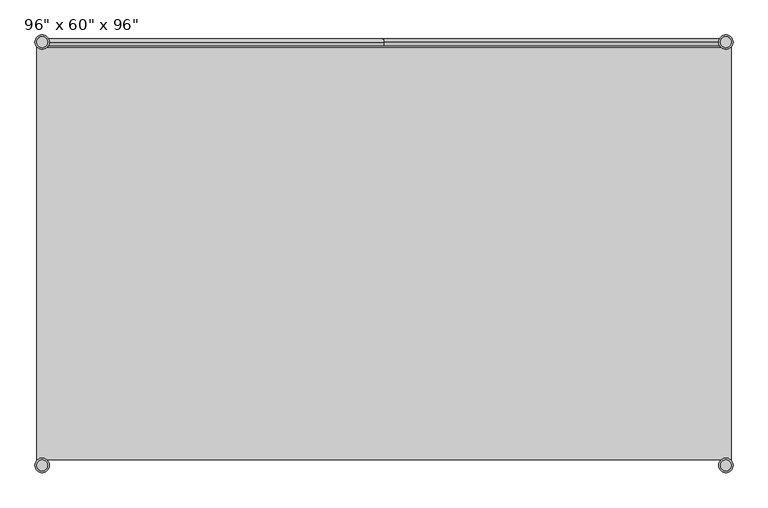
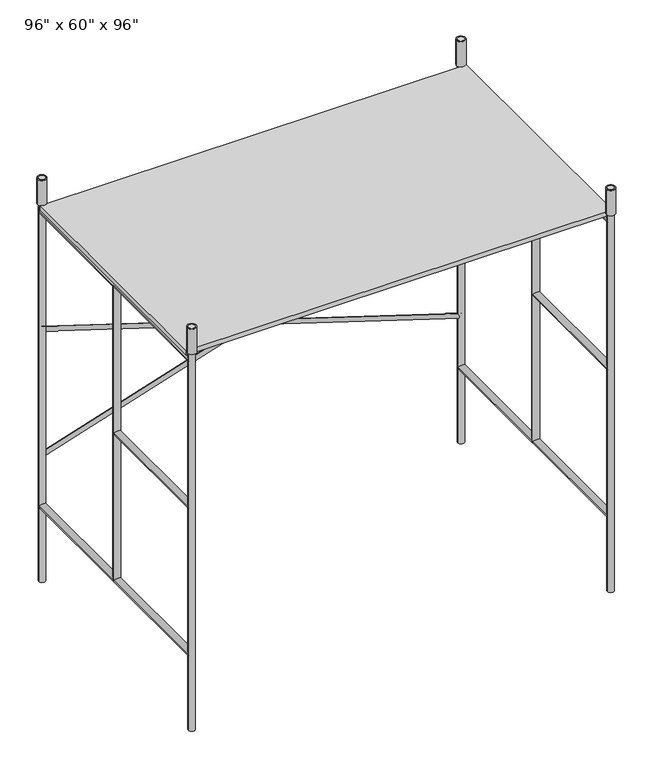
"""IFC4 building model written with IfcOpenShell, lengths in millimetres: geographic element geometry."""

from ifc_helpers import new_model, si_unit, point, frame, frame_2d, origin, origin_with_axes, place, context, project, spatial, polyline, circle_curve, trimmed, segment, composite_curve, outline, extrude, source, transform, mapped, element, save


def geographic_element_9028f7ce(model_context):
    return source(origin(), model_context, "Body", "SweptSolid", [
        extrude(outline(composite_curve([segment(trimmed(circle_curve(frame_2d((1200.15, 742.95)), 19.05), [point((1181.1, 742.95))], [point((1219.2, 742.95))], False, "CARTESIAN"), True, "CONTINUOUS"), segment(trimmed(circle_curve(frame_2d((1200.15, 742.95)), 19.05), [point((1219.2, 742.95))], [point((1181.1, 742.95))], False, "CARTESIAN"), True, "CONTINUOUS")], self_intersect=False)), origin_with_axes(), (0.0, 0.0, 1.0), 2438.4),
        extrude(outline(composite_curve([segment(trimmed(circle_curve(frame_2d((1200.15, -742.95)), 19.05), [point((1181.1, -742.95))], [point((1219.2, -742.95))], False, "CARTESIAN"), True, "CONTINUOUS"), segment(trimmed(circle_curve(frame_2d((1200.15, -742.95)), 19.05), [point((1219.2, -742.95))], [point((1181.1, -742.95))], False, "CARTESIAN"), True, "CONTINUOUS")], self_intersect=False)), origin_with_axes(), (0.0, 0.0, 1.0), 2438.4),
        extrude(outline(composite_curve([segment(trimmed(circle_curve(frame_2d((-1200.15, 742.95)), 19.05), [point((-1219.2, 742.95))], [point((-1181.1, 742.95))], False, "CARTESIAN"), True, "CONTINUOUS"), segment(trimmed(circle_curve(frame_2d((-1200.15, 742.95)), 19.05), [point((-1181.1, 742.95))], [point((-1219.2, 742.95))], False, "CARTESIAN"), True, "CONTINUOUS")], self_intersect=False)), origin_with_axes(), (0.0, 0.0, 1.0), 2438.4),
        extrude(outline(composite_curve([segment(trimmed(circle_curve(frame_2d((-1200.15, -742.95)), 19.05), [point((-1219.2, -742.95))], [point((-1181.1, -742.95))], False, "CARTESIAN"), True, "CONTINUOUS"), segment(trimmed(circle_curve(frame_2d((-1200.15, -742.95)), 19.05), [point((-1181.1, -742.95))], [point((-1219.2, -742.95))], False, "CARTESIAN"), True, "CONTINUOUS")], self_intersect=False)), origin_with_axes(), (0.0, 0.0, 1.0), 2438.4),
        extrude(outline(composite_curve([segment(trimmed(circle_curve(frame_2d((1200.15, 0.0)), 19.05), [point((1181.1, 0.0))], [point((1219.2, 0.0))], False, "CARTESIAN"), True, "CONTINUOUS"), segment(trimmed(circle_curve(frame_2d((1200.15, 0.0)), 19.05), [point((1219.2, 0.0))], [point((1181.1, 0.0))], False, "CARTESIAN"), True, "CONTINUOUS")], self_intersect=False)), frame((0.0, 0.0, 457.2), z_axis=(0.0, 0.0, 1.0), x_axis=(1.0, 0.0, 0.0)), (0.0, 0.0, 1.0), 1784.35),
        extrude(outline(composite_curve([segment(trimmed(circle_curve(frame_2d((457.2, 1200.15)), 19.05), [point((457.2, 1181.1))], [point((457.2, 1219.2))], False, "CARTESIAN"), True, "CONTINUOUS"), segment(trimmed(circle_curve(frame_2d((457.2, 1200.15)), 19.05), [point((457.2, 1219.2))], [point((457.2, 1181.1))], False, "CARTESIAN"), True, "CONTINUOUS")], self_intersect=False)), frame((0.0, -742.95, 0.0), z_axis=(0.0, 1.0, 0.0), x_axis=(0.0, 0.0, 1.0)), (0.0, 0.0, 1.0), 1485.9),
        extrude(outline(composite_curve([segment(trimmed(circle_curve(frame_2d((2241.55, 1200.15)), 19.05), [point((2241.55, 1181.1))], [point((2241.55, 1219.2))], False, "CARTESIAN"), True, "CONTINUOUS"), segment(trimmed(circle_curve(frame_2d((2241.55, 1200.15)), 19.05), [point((2241.55, 1219.2))], [point((2241.55, 1181.1))], False, "CARTESIAN"), True, "CONTINUOUS")], self_intersect=False)), frame((0.0, -742.95, 0.0), z_axis=(0.0, 1.0, 0.0), x_axis=(0.0, 0.0, 1.0)), (0.0, 0.0, 1.0), 1485.9),
        extrude(outline(composite_curve([segment(trimmed(circle_curve(frame_2d((-1200.15, 0.0)), 19.05), [point((-1219.2, 0.0))], [point((-1181.1, 0.0))], False, "CARTESIAN"), True, "CONTINUOUS"), segment(trimmed(circle_curve(frame_2d((-1200.15, 0.0)), 19.05), [point((-1181.1, 0.0))], [point((-1219.2, 0.0))], False, "CARTESIAN"), True, "CONTINUOUS")], self_intersect=False)), frame((0.0, 0.0, 457.2), z_axis=(0.0, 0.0, 1.0), x_axis=(1.0, 0.0, 0.0)), (0.0, 0.0, 1.0), 1784.35),
        extrude(outline(composite_curve([segment(trimmed(circle_curve(frame_2d((457.2, -1200.15)), 19.05), [point((457.2, -1219.2))], [point((457.2, -1181.1))], False, "CARTESIAN"), True, "CONTINUOUS"), segment(trimmed(circle_curve(frame_2d((457.2, -1200.15)), 19.05), [point((457.2, -1181.1))], [point((457.2, -1219.2))], False, "CARTESIAN"), True, "CONTINUOUS")], self_intersect=False)), frame((0.0, -742.95, 0.0), z_axis=(0.0, 1.0, 0.0), x_axis=(0.0, 0.0, 1.0)), (0.0, 0.0, 1.0), 1485.9),
        extrude(outline(composite_curve([segment(trimmed(circle_curve(frame_2d((2241.55, -1200.15)), 19.05), [point((2241.55, -1219.2))], [point((2241.55, -1181.1))], False, "CARTESIAN"), True, "CONTINUOUS"), segment(trimmed(circle_curve(frame_2d((2241.55, -1200.15)), 19.05), [point((2241.55, -1181.1))], [point((2241.55, -1219.2))], False, "CARTESIAN"), True, "CONTINUOUS")], self_intersect=False)), frame((0.0, -742.95, 0.0), z_axis=(0.0, 1.0, 0.0), x_axis=(0.0, 0.0, 1.0)), (0.0, 0.0, 1.0), 1485.9),
        extrude(outline(polyline([(1219.2, -723.9), (-1219.2, -723.9), (-1219.2, 723.9), (1219.2, 723.9), (1219.2, -723.9)])), frame((0.0, 0.0, 2260.6), z_axis=(0.0, 0.0, 1.0), x_axis=(1.0, 0.0, 0.0)), (0.0, 0.0, 1.0), 25.4),
        extrude(outline(composite_curve([segment(trimmed(circle_curve(frame_2d((1349.375, 1200.15)), 19.05), [point((1349.375, 1181.1))], [point((1349.375, 1219.2))], False, "CARTESIAN"), True, "CONTINUOUS"), segment(trimmed(circle_curve(frame_2d((1349.375, 1200.15)), 19.05), [point((1349.375, 1219.2))], [point((1349.375, 1181.1))], False, "CARTESIAN"), True, "CONTINUOUS")], self_intersect=False)), frame((0.0, -742.95, 0.0), z_axis=(0.0, 1.0, 0.0), x_axis=(0.0, 0.0, 1.0)), (0.0, 0.0, 1.0), 742.95),
        extrude(outline(composite_curve([segment(trimmed(circle_curve(frame_2d((1349.375, -1200.15)), 19.05), [point((1349.375, -1219.2))], [point((1349.375, -1181.1))], False, "CARTESIAN"), True, "CONTINUOUS"), segment(trimmed(circle_curve(frame_2d((1349.375, -1200.15)), 19.05), [point((1349.375, -1181.1))], [point((1349.375, -1219.2))], False, "CARTESIAN"), True, "CONTINUOUS")], self_intersect=False)), frame((0.0, -742.95, 0.0), z_axis=(0.0, 1.0, 0.0), x_axis=(0.0, 0.0, 1.0)), (0.0, 0.0, 1.0), 742.95),
        extrude(outline(composite_curve([segment(trimmed(circle_curve(frame_2d((0.0, -12.7)), 12.7), [point((-12.7, -12.7))], [point((12.7, -12.7))], False, "CARTESIAN"), True, "CONTINUOUS"), segment(trimmed(circle_curve(frame_2d((0.0, -12.7)), 12.7), [point((12.7, -12.7))], [point((-12.7, -12.7))], False, "CARTESIAN"), True, "CONTINUOUS")], self_intersect=False)), frame((-1200.15, 755.65, 762.0), z_axis=(0.953124267144541, 0.0, 0.3025791324268443), x_axis=(0.3025791324268443, 0.0, -0.953124267144541)), (0.0, 0.0, 1.0), 2518.3494773),
        extrude(outline(composite_curve([segment(trimmed(circle_curve(frame_2d((0.0, 12.7)), 12.7), [point((12.7, 12.7))], [point((-12.7, 12.7))], False, "CARTESIAN"), True, "CONTINUOUS"), segment(trimmed(circle_curve(frame_2d((0.0, 12.7)), 12.7), [point((-12.7, 12.7))], [point((12.7, 12.7))], False, "CARTESIAN"), True, "CONTINUOUS")], self_intersect=False)), frame((1200.15, 730.25, 762.0), z_axis=(-0.9531242671445437, 0.0, 0.3025791324268359), x_axis=(0.3025791324268359, 0.0, 0.9531242671445437)), (0.0, 0.0, 1.0), 2518.3494773),
        extrude(outline(composite_curve([segment(trimmed(circle_curve(frame_2d((1200.15, 742.95)), 25.4), [point((1174.75, 742.95))], [point((1225.55, 742.95))], False, "CARTESIAN"), True, "CONTINUOUS"), segment(trimmed(circle_curve(frame_2d((1200.15, 742.95)), 25.4), [point((1225.55, 742.95))], [point((1174.75, 742.95))], False, "CARTESIAN"), True, "CONTINUOUS")], self_intersect=False), holes=[composite_curve([segment(trimmed(circle_curve(frame_2d((1200.15, 742.95)), 19.05), [point((1181.1, 742.95))], [point((1219.2, 742.95))], True, "CARTESIAN"), True, "CONTINUOUS"), segment(trimmed(circle_curve(frame_2d((1200.15, 742.95)), 19.05), [point((1219.2, 742.95))], [point((1181.1, 742.95))], True, "CARTESIAN"), True, "CONTINUOUS")], self_intersect=False)]), frame((0.0, 0.0, 2286.0), z_axis=(0.0, 0.0, 1.0), x_axis=(1.0, 0.0, 0.0)), (0.0, 0.0, 1.0), 152.4),
        extrude(outline(composite_curve([segment(trimmed(circle_curve(frame_2d((1200.15, -742.95)), 25.4), [point((1174.75, -742.95))], [point((1225.55, -742.95))], False, "CARTESIAN"), True, "CONTINUOUS"), segment(trimmed(circle_curve(frame_2d((1200.15, -742.95)), 25.4), [point((1225.55, -742.95))], [point((1174.75, -742.95))], False, "CARTESIAN"), True, "CONTINUOUS")], self_intersect=False), holes=[composite_curve([segment(trimmed(circle_curve(frame_2d((1200.15, -742.95)), 19.05), [point((1181.1, -742.95))], [point((1219.2, -742.95))], True, "CARTESIAN"), True, "CONTINUOUS"), segment(trimmed(circle_curve(frame_2d((1200.15, -742.95)), 19.05), [point((1219.2, -742.95))], [point((1181.1, -742.95))], True, "CARTESIAN"), True, "CONTINUOUS")], self_intersect=False)]), frame((0.0, 0.0, 2286.0), z_axis=(0.0, 0.0, 1.0), x_axis=(1.0, 0.0, 0.0)), (0.0, 0.0, 1.0), 152.4),
        extrude(outline(composite_curve([segment(trimmed(circle_curve(frame_2d((-1200.15, -742.95)), 25.4), [point((-1225.55, -742.95))], [point((-1174.75, -742.95))], False, "CARTESIAN"), True, "CONTINUOUS"), segment(trimmed(circle_curve(frame_2d((-1200.15, -742.95)), 25.4), [point((-1174.75, -742.95))], [point((-1225.55, -742.95))], False, "CARTESIAN"), True, "CONTINUOUS")], self_intersect=False), holes=[composite_curve([segment(trimmed(circle_curve(frame_2d((-1200.15, -742.95)), 19.05), [point((-1219.2, -742.95))], [point((-1181.1, -742.95))], True, "CARTESIAN"), True, "CONTINUOUS"), segment(trimmed(circle_curve(frame_2d((-1200.15, -742.95)), 19.05), [point((-1181.1, -742.95))], [point((-1219.2, -742.95))], True, "CARTESIAN"), True, "CONTINUOUS")], self_intersect=False)]), frame((0.0, 0.0, 2286.0), z_axis=(0.0, 0.0, 1.0), x_axis=(1.0, 0.0, 0.0)), (0.0, 0.0, 1.0), 152.4),
        extrude(outline(composite_curve([segment(trimmed(circle_curve(frame_2d((-1200.15, 742.95)), 25.4), [point((-1225.55, 742.95))], [point((-1174.75, 742.95))], False, "CARTESIAN"), True, "CONTINUOUS"), segment(trimmed(circle_curve(frame_2d((-1200.15, 742.95)), 25.4), [point((-1174.75, 742.95))], [point((-1225.55, 742.95))], False, "CARTESIAN"), True, "CONTINUOUS")], self_intersect=False), holes=[composite_curve([segment(trimmed(circle_curve(frame_2d((-1200.15, 742.95)), 19.05), [point((-1219.2, 742.95))], [point((-1181.1, 742.95))], True, "CARTESIAN"), True, "CONTINUOUS"), segment(trimmed(circle_curve(frame_2d((-1200.15, 742.95)), 19.05), [point((-1181.1, 742.95))], [point((-1219.2, 742.95))], True, "CARTESIAN"), True, "CONTINUOUS")], self_intersect=False)]), frame((0.0, 0.0, 2286.0), z_axis=(0.0, 0.0, 1.0), x_axis=(1.0, 0.0, 0.0)), (0.0, 0.0, 1.0), 152.4),
    ])


if __name__ == "__main__":
    model = new_model("IFC4")
    model_context = context("Model", 3, world=origin())
    ifc_project = project(units=[si_unit("LENGTHUNIT", "METRE", prefix="MILLI")], contexts=[model_context])
    site = spatial("IfcSite", under=ifc_project)
    building = spatial("IfcBuilding", under=site)
    placement = place(None, origin())
    geographic_element_shape = geographic_element_9028f7ce(model_context)
    element("IfcGeographicElement", 1, ObjectType="96\" x 60\" x 96\"", at=placement, inside=building, context=model_context, shape_type="MappedRepresentation", body=[
        mapped(geographic_element_shape, transform((0.0, 0.0, 0.0), x_axis=(1.0, 0.0, 0.0), y_axis=(0.0, 1.0, 0.0), z_axis=(0.0, 0.0, 1.0))),
    ])
    save(model, "model.ifc")
